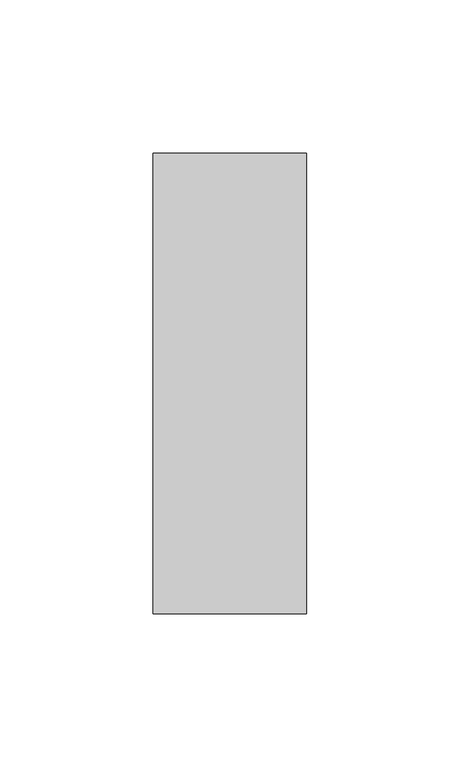
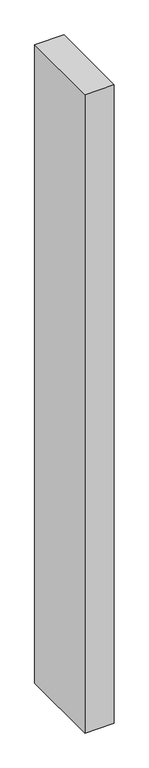
"""IFC4 building model written with IfcOpenShell, lengths in millimetres: member geometry."""

from ifc_helpers import new_model, si_unit, frame, origin, place, context, project, spatial, polyline, outline, extrude, source, transform, mapped, element, save


def member_65e6a114(model_context):
    return source(origin(), model_context, "Body", "SweptSolid", [
        extrude(outline(polyline([(0.0, 75.0), (0.0, -75.0), (-50.0, -75.0), (-50.0, 75.0), (0.0, 75.0)])), frame((0.0, 0.0, -1160.0), z_axis=(0.0, 0.0, 1.0), x_axis=(1.0, 0.0, 0.0)), (0.0, 0.0, 1.0), 1160.0),
    ])


if __name__ == "__main__":
    model = new_model("IFC4")
    model_context = context("Model", 3, world=origin())
    ifc_project = project(units=[si_unit("LENGTHUNIT", "METRE", prefix="MILLI")], contexts=[model_context])
    site = spatial("IfcSite", under=ifc_project)
    building = spatial("IfcBuilding", under=site)
    placement = place(None, origin())
    member_shape = member_65e6a114(model_context)
    element("IfcMember", 1, at=placement, inside=building, context=model_context, shape_type="MappedRepresentation", body=[
        mapped(member_shape, transform((0.0, 0.0, 0.0), x_axis=(1.0, 0.0, 0.0), y_axis=(0.0, 1.0, 0.0), z_axis=(0.0, 0.0, 1.0))),
    ])
    save(model, "model.ifc")
